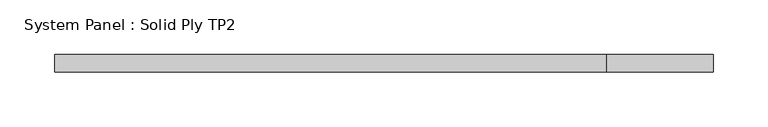
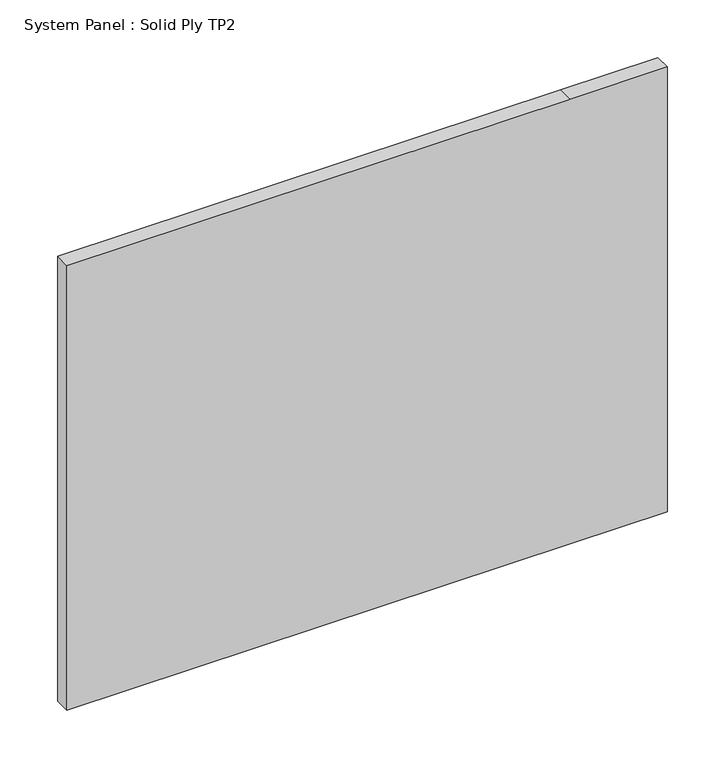
"""IFC4 building model written with IfcOpenShell, lengths in millimetres: plate geometry, System Panel : Solid Ply TP2."""

from ifc_helpers import new_model, si_unit, frame, origin, place, context, project, spatial, polyline, outline, extrude, source, transform, mapped, element, save


def system_panel_solid_ply_tp2_70149bc2(model_context):
    return source(origin(), model_context, "Body", "SweptSolid", [
        extrude(outline(polyline([(0.0, -300.0000002), (0.0, 203.0000009), (0.0, 300.0000002), (470.0, 300.0000002), (470.0, 203.0000009), (470.0, -300.0000002), (0.0, -300.0000002)])), frame((0.0, -23.0, 0.0), z_axis=(0.0, 1.0, 0.0), x_axis=(0.0, 0.0, 1.0)), (0.0, 0.0, 1.0), 16.0),
    ])


if __name__ == "__main__":
    model = new_model("IFC4")
    model_context = context("Model", 3, world=origin())
    ifc_project = project(units=[si_unit("LENGTHUNIT", "METRE", prefix="MILLI")], contexts=[model_context])
    site = spatial("IfcSite", under=ifc_project)
    building = spatial("IfcBuilding", under=site)
    placement = place(None, origin())
    system_panel_solid_ply_tp2_shape = system_panel_solid_ply_tp2_70149bc2(model_context)
    element("IfcPlate", 1, ObjectType="System Panel : Solid Ply TP2", at=placement, inside=building, context=model_context, shape_type="MappedRepresentation", body=[
        mapped(system_panel_solid_ply_tp2_shape, transform((0.0, 0.0, 0.0), x_axis=(1.0, 0.0, 0.0), y_axis=(0.0, 1.0, 0.0), z_axis=(0.0, 0.0, 1.0))),
    ])
    save(model, "model.ifc")
